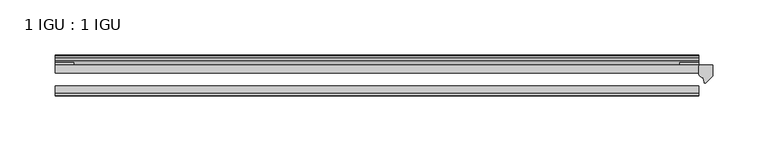
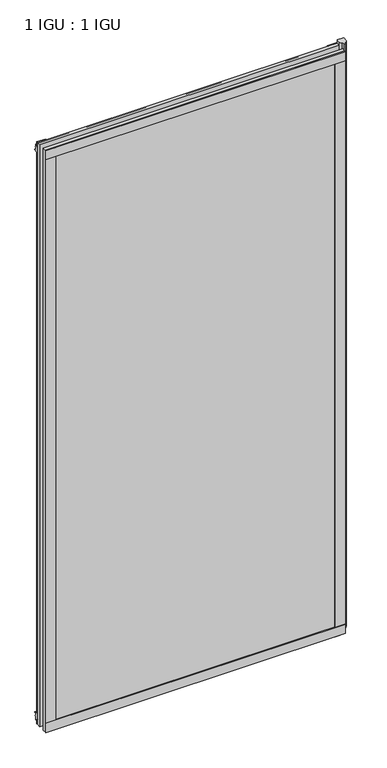
"""IFC4 building model written with IfcOpenShell, lengths in millimetres: plate geometry, 1 IGU : 1 IGU."""

from ifc_helpers import new_model, si_unit, point, frame, frame_2d, origin, place, context, project, spatial, polyline, circle_curve, trimmed, segment, composite_curve, outline, extrude, source, transform, mapped, element, save


def plate_1_igu_1_igu_c55c2c68(model_context):
    return source(origin(), model_context, "Body", "SweptSolid", [
        extrude(outline(polyline([(292.1, -11.6085937), (292.1, -18.8576359), (-292.1, -18.8576359), (-292.1, -11.6085937), (292.1, -11.6085937)])), frame((0.0, 0.0, -19.05), z_axis=(0.0, 0.0, 1.0), x_axis=(1.0, 0.0, 0.0)), (0.0, 0.0, 1.0), 1200.15),
        extrude(outline(polyline([(-292.1, -30.7093937), (292.1, -30.7093937), (292.1, -37.0085937), (-292.1, -37.0085937), (-292.1, -30.7093937)])), frame((0.0, 0.0, -19.05), z_axis=(0.0, 0.0, 1.0), x_axis=(1.0, 0.0, 0.0)), (0.0, 0.0, 1.0), 1200.15),
        extrude(outline(composite_curve([segment(polyline([(305.1779091, -11.6101465), (304.8, -21.3502133), (298.8619467, -27.6095865)]), True, "CONTINUOUS"), segment(trimmed(circle_curve(frame_2d((298.1891407, -27.2518492)), 0.762), [point((298.8619467, -27.6095865))], [point((297.4604364, -27.4746364))], False, "CARTESIAN"), True, "CONTINUOUS"), segment(polyline([(297.4604364, -27.4746364), (296.1986019, -23.3488397)]), True, "CONTINUOUS"), segment(trimmed(circle_curve(frame_2d((298.380559, -16.3834724)), 7.2991286), [point((296.1986019, -23.3488397))], [point((292.1001786, -20.1028944))], False, "CARTESIAN"), True, "CONTINUOUS"), segment(polyline([(292.1001786, -20.1028944), (292.1001786, -12.664425)]), True, "CONTINUOUS"), segment(trimmed(circle_curve(frame_2d((298.3814331, -16.3827796)), 7.2993369), [point((292.1001786, -12.664425))], [point((292.858545, -11.6101465))], False, "CARTESIAN"), True, "CONTINUOUS"), segment(polyline([(292.858545, -11.6101465), (305.1779091, -11.6101465)]), True, "CONTINUOUS")], self_intersect=False)), frame((0.0, 0.0, -19.05), z_axis=(0.0, 0.0, 1.0), x_axis=(1.0, 0.0, 0.0)), (0.0, 0.0, 1.0), 1207.2874),
        extrude(outline(polyline([(-292.1, -39.2945937), (-292.1, -37.0085937), (292.1, -37.0085937), (292.1, -39.2945937), (-292.1, -39.2945937)])), frame((0.0, 0.0, -19.05), z_axis=(0.0, 0.0, 1.0), x_axis=(1.0, 0.0, 0.0)), (0.0, 0.0, 1.0), 19.05),
        extrude(outline(composite_curve([segment(trimmed(circle_curve(frame_2d((-2.5575611, 32.8538976)), 31.3272753), [point((-11.6085937, 2.8626158))], [point((-2.2024699, 1.5286348))], True, "CARTESIAN"), True, "CONTINUOUS"), segment(polyline([(-2.2024699, 1.5286348), (-2.2024699, 0.0), (-5.2585937, 0.0), (-5.2585937, -5.2345509), (-3.3544944, -5.5797863), (-5.2585937, -8.255), (-5.2585937, -11.471876)]), True, "CONTINUOUS"), segment(trimmed(circle_curve(frame_2d((-6.5285937, -11.471876)), 1.27), [point((-5.2585937, -11.471876))], [point((-7.4547667, -12.340843))], False, "CARTESIAN"), True, "CONTINUOUS"), segment(polyline([(-7.4547667, -12.340843), (-11.6085937, -7.9135609), (-11.6085937, 2.8626158)]), True, "CONTINUOUS")], self_intersect=False)), frame((-292.1, 0.0, 0.0), z_axis=(1.0, 0.0, 0.0), x_axis=(0.0, 1.0, 0.0)), (0.0, 0.0, 1.0), 584.2),
        extrude(outline(composite_curve([segment(trimmed(circle_curve(frame_2d((-6.5285937, 1173.521876)), 1.27), [point((-7.4547667, 1174.390843))], [point((-5.2585937, 1173.521876))], False, "CARTESIAN"), True, "CONTINUOUS"), segment(polyline([(-5.2585937, 1173.521876), (-5.2585937, 1170.305), (-3.3544944, 1167.6297863), (-5.2585937, 1167.2845509), (-5.2585937, 1162.05), (-2.385052, 1162.05)]), True, "CONTINUOUS"), segment(trimmed(circle_curve(frame_2d((-3.2589487, 1161.5317718)), 1.016), [point((-2.385052, 1162.05))], [point((-3.236916, 1160.5160107))], False, "CARTESIAN"), True, "CONTINUOUS"), segment(trimmed(circle_curve(frame_2d((-2.5575611, 1129.1961024)), 31.3272753), [point((-3.236916, 1160.5160107))], [point((-11.6085937, 1159.1873842))], True, "CARTESIAN"), True, "CONTINUOUS"), segment(polyline([(-11.6085937, 1159.1873842), (-11.6085937, 1169.9635609), (-7.4547667, 1174.390843)]), True, "CONTINUOUS")], self_intersect=False)), frame((-292.1, 0.0, 0.0), z_axis=(1.0, 0.0, 0.0), x_axis=(0.0, 1.0, 0.0)), (0.0, 0.0, 1.0), 584.2),
        extrude(outline(polyline([(-292.1, -39.2945937), (-292.1, -37.0085937), (292.1, -37.0085937), (292.1, -39.2945937), (-292.1, -39.2945937)])), frame((0.0, 0.0, 1162.05), z_axis=(0.0, 0.0, 1.0), x_axis=(1.0, 0.0, 0.0)), (0.0, 0.0, 1.0), 19.05),
        extrude(outline(polyline([(273.05, -37.0085937), (292.1, -37.0085937), (292.1, -39.2945938), (273.05, -39.2945938), (273.05, -37.0085937)])), frame((0.0, 0.0, -19.05), z_axis=(0.0, 0.0, 1.0), x_axis=(1.0, 0.0, 0.0)), (0.0, 0.0, 1.0), 1200.15),
        extrude(outline(polyline([(292.1, -9.3247196), (292.1, -11.6085937), (275.0185, -11.6085937), (275.0185, -9.3247196), (292.1, -9.3247196)])), frame((0.0, 0.0, -19.05), z_axis=(0.0, 0.0, 1.0), x_axis=(1.0, 0.0, 0.0)), (0.0, 0.0, 1.0), 1200.15),
        extrude(outline(polyline([(-292.1, -39.2945937), (-292.1, -37.0085937), (-273.05, -37.0085937), (-273.05, -39.2945937), (-292.1, -39.2945937)])), frame((0.0, 0.0, -19.05), z_axis=(0.0, 0.0, 1.0), x_axis=(1.0, 0.0, 0.0)), (0.0, 0.0, 1.0), 1200.15),
        extrude(outline(polyline([(-292.1, -11.6107196), (-292.1, -9.2273437), (-275.0185, -9.2273437), (-275.0185, -11.6107196), (-292.1, -11.6107196)])), frame((0.0, 0.0, -19.05), z_axis=(0.0, 0.0, 1.0), x_axis=(1.0, 0.0, 0.0)), (0.0, 0.0, 1.0), 1200.15),
    ])


if __name__ == "__main__":
    model = new_model("IFC4")
    model_context = context("Model", 3, world=origin())
    ifc_project = project(units=[si_unit("LENGTHUNIT", "METRE", prefix="MILLI")], contexts=[model_context])
    site = spatial("IfcSite", under=ifc_project)
    building = spatial("IfcBuilding", under=site)
    placement = place(None, origin())
    plate_1_igu_1_igu_shape = plate_1_igu_1_igu_c55c2c68(model_context)
    element("IfcPlate", 1, ObjectType="1 IGU : 1 IGU", at=placement, inside=building, context=model_context, shape_type="MappedRepresentation", body=[
        mapped(plate_1_igu_1_igu_shape, transform((0.0, 0.0, 0.0), x_axis=(1.0, 0.0, 0.0), y_axis=(0.0, 1.0, 0.0), z_axis=(0.0, 0.0, 1.0))),
    ])
    save(model, "model.ifc")
